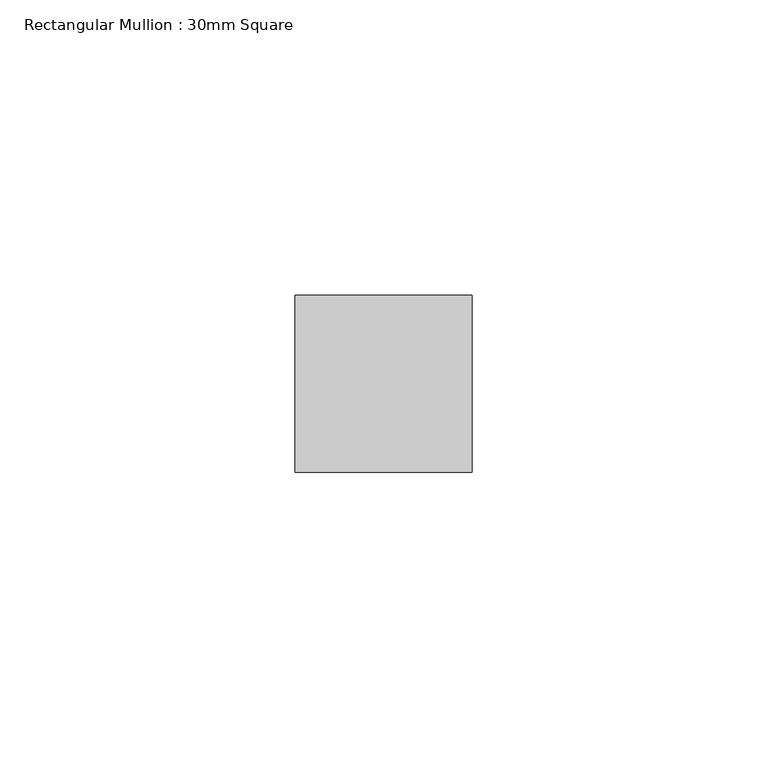
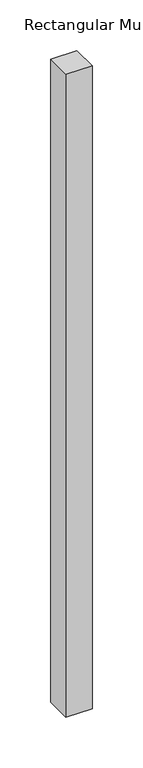
"""IFC4 building model written with IfcOpenShell, lengths in millimetres: member geometry, Rectangular Mullion : 30mm Square."""

from ifc_helpers import new_model, si_unit, frame, origin, place, context, project, spatial, polyline, outline, extrude, source, transform, mapped, element, save


def rectangular_mullion_30mm_square_1da4771f(model_context):
    return source(origin(), model_context, "Body", "SweptSolid", [
        extrude(outline(polyline([(15.0, 15.0), (15.0, -15.0), (-15.0, -15.0), (-15.0, 15.0), (15.0, 15.0)])), frame((0.0, 0.0, -776.0354287), z_axis=(0.0, 0.0, 1.0), x_axis=(1.0, 0.0, 0.0)), (0.0, 0.0, 1.0), 776.0354287),
    ])


if __name__ == "__main__":
    model = new_model("IFC4")
    model_context = context("Model", 3, world=origin())
    ifc_project = project(units=[si_unit("LENGTHUNIT", "METRE", prefix="MILLI")], contexts=[model_context])
    site = spatial("IfcSite", under=ifc_project)
    building = spatial("IfcBuilding", under=site)
    placement = place(None, origin())
    rectangular_mullion_30mm_square_shape = rectangular_mullion_30mm_square_1da4771f(model_context)
    element("IfcMember", 1, ObjectType="Rectangular Mullion : 30mm Square", at=placement, inside=building, context=model_context, shape_type="MappedRepresentation", body=[
        mapped(rectangular_mullion_30mm_square_shape, transform((0.0, 0.0, 0.0), x_axis=(1.0, 0.0, 0.0), y_axis=(0.0, 1.0, 0.0), z_axis=(0.0, 0.0, 1.0))),
    ])
    save(model, "model.ifc")
